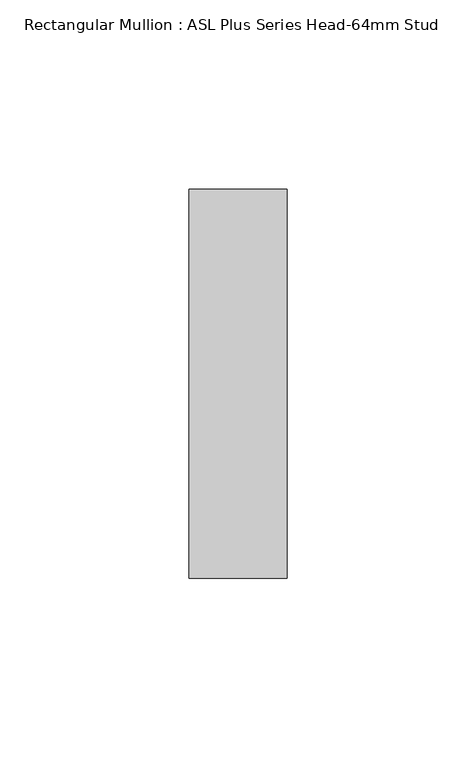
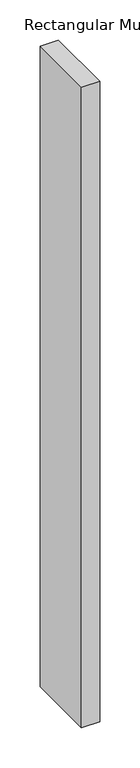
"""IFC4 building model written with IfcOpenShell, lengths in millimetres: member geometry, Rectangular Mullion : ASL Plus Series Head-64mm Stud."""

from ifc_helpers import new_model, si_unit, frame, origin, place, context, project, spatial, polyline, outline, extrude, source, transform, mapped, element, save


def rectangular_mullion_asl_plus_series_head_64mm_stud_1303ec00(model_context):
    return source(origin(), model_context, "Body", "SweptSolid", [
        extrude(outline(polyline([(0.0, 51.5), (0.0, -51.5), (-26.0, -51.5), (-26.0, 51.5), (0.0, 51.5)])), frame((0.0, 0.0, -974.0), z_axis=(0.0, 0.0, 1.0), x_axis=(1.0, 0.0, 0.0)), (0.0, 0.0, 1.0), 974.0),
    ])


if __name__ == "__main__":
    model = new_model("IFC4")
    model_context = context("Model", 3, world=origin())
    ifc_project = project(units=[si_unit("LENGTHUNIT", "METRE", prefix="MILLI")], contexts=[model_context])
    site = spatial("IfcSite", under=ifc_project)
    building = spatial("IfcBuilding", under=site)
    placement = place(None, origin())
    rectangular_mullion_asl_plus_series_head_64mm_stud_shape = rectangular_mullion_asl_plus_series_head_64mm_stud_1303ec00(model_context)
    element("IfcMember", 1, ObjectType="Rectangular Mullion : ASL Plus Series Head-64mm Stud", at=placement, inside=building, context=model_context, shape_type="MappedRepresentation", body=[
        mapped(rectangular_mullion_asl_plus_series_head_64mm_stud_shape, transform((0.0, 0.0, 0.0), x_axis=(1.0, 0.0, 0.0), y_axis=(0.0, 1.0, 0.0), z_axis=(0.0, 0.0, 1.0))),
    ])
    save(model, "model.ifc")
